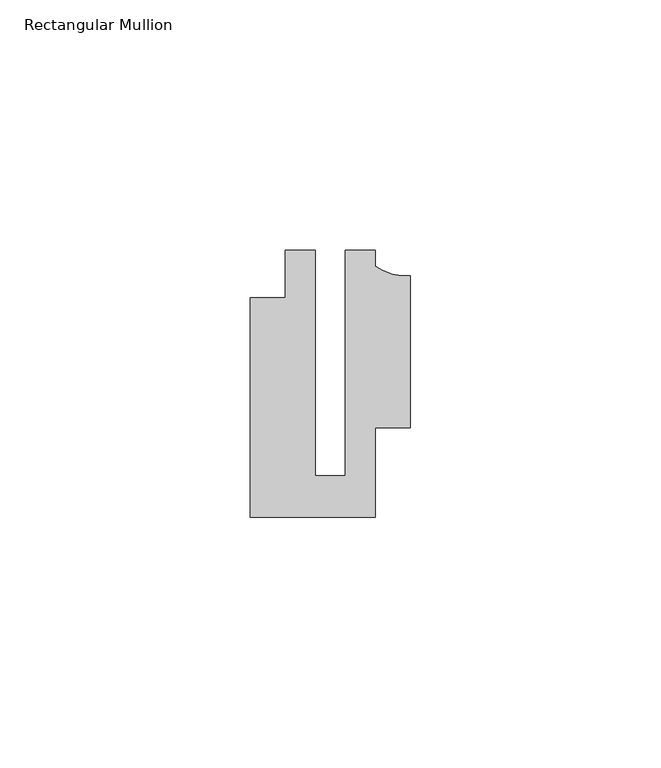
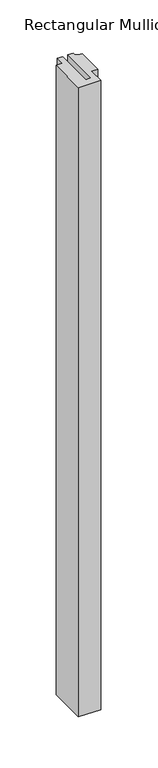
"""IFC4 building model written with IfcOpenShell, lengths in millimetres: member geometry, Rectangular Mullion."""

from ifc_helpers import new_model, si_unit, point, frame, frame_2d, origin, place, context, project, spatial, polyline, circle_curve, trimmed, segment, composite_curve, outline, extrude, source, transform, mapped, element, save


def rectangular_mullion_e3ee13a1(model_context):
    return source(origin(), model_context, "Body", "SweptSolid", [
        extrude(outline(composite_curve([segment(polyline([(15.9999391, -14.9953356), (9.0, -14.9953356), (9.0, -32.7960123), (-15.9999391, -32.7960123), (-15.9999391, 11.0039877), (-8.9999842, 11.0039877), (-8.9999842, 20.5039877), (-2.9999659, 20.5039877), (-2.9999659, -24.5130805), (2.9999676, -24.5130805), (2.9999676, 20.5039877), (8.9999842, 20.5039877), (8.9999842, 17.3165203)]), True, "CONTINUOUS"), segment(trimmed(circle_curve(frame_2d((15.1098019, 25.802169)), 10.4563907), [point((8.9999842, 17.3165203))], [point((15.9999391, 15.3837352))], True, "CARTESIAN"), True, "CONTINUOUS"), segment(polyline([(15.9999391, 15.3837352), (15.9999391, -14.9953356)]), True, "CONTINUOUS")], self_intersect=False)), frame((0.0, 0.0, -751.0049991), z_axis=(0.0, 0.0, 1.0), x_axis=(1.0, 0.0, 0.0)), (0.0, 0.0, 1.0), 751.0049991),
    ])


if __name__ == "__main__":
    model = new_model("IFC4")
    model_context = context("Model", 3, world=origin())
    ifc_project = project(units=[si_unit("LENGTHUNIT", "METRE", prefix="MILLI")], contexts=[model_context])
    site = spatial("IfcSite", under=ifc_project)
    building = spatial("IfcBuilding", under=site)
    placement = place(None, origin())
    rectangular_mullion_shape = rectangular_mullion_e3ee13a1(model_context)
    element("IfcMember", 1, ObjectType="Rectangular Mullion", at=placement, inside=building, context=model_context, shape_type="MappedRepresentation", body=[
        mapped(rectangular_mullion_shape, transform((0.0, 0.0, 0.0), x_axis=(1.0, 0.0, 0.0), y_axis=(0.0, 1.0, 0.0), z_axis=(0.0, 0.0, 1.0))),
    ])
    save(model, "model.ifc")
